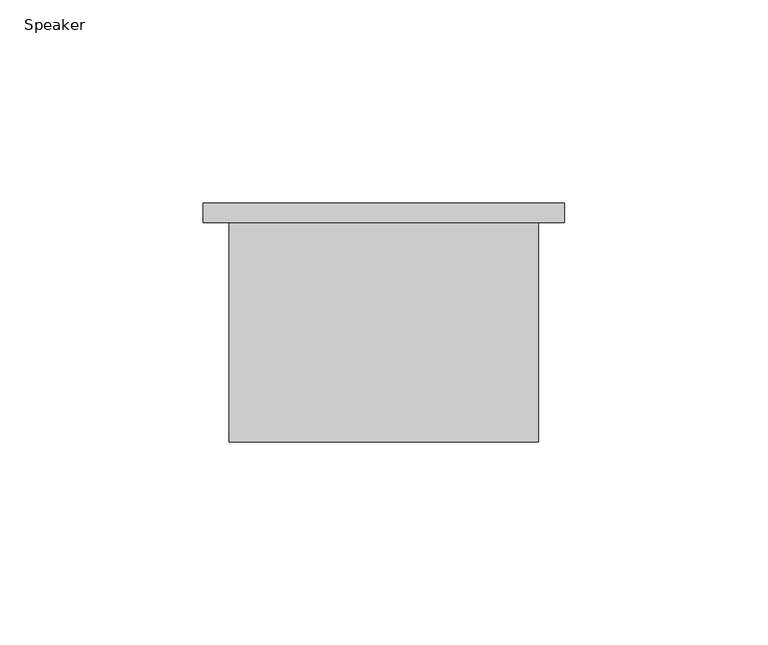
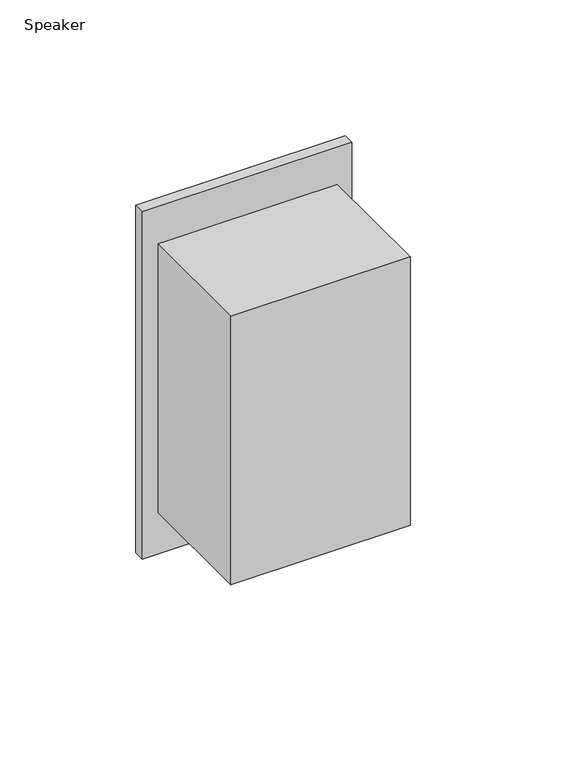
"""IFC4 building model written with IfcOpenShell, lengths in millimetres: alarm geometry, Speaker."""

from ifc_helpers import new_model, si_unit, frame, origin, place, context, project, spatial, polyline, outline, extrude, source, transform, mapped, element, save


def speaker_0ec2ac43(model_context):
    return source(origin(), model_context, "Body", "SweptSolid", [
        extrude(outline(polyline([(-44.45, 4.7625), (44.45, 4.7625), (44.45, 0.0), (-44.45, 0.0), (-44.45, 4.7625)])), frame((0.0, 0.0, 1924.05), z_axis=(0.0, 0.0, 1.0), x_axis=(1.0, 0.0, 0.0)), (0.0, 0.0, 1.0), 156.0969665),
        extrude(outline(polyline([(-38.1, 0.0), (38.1, 0.0), (38.1, -53.975), (-38.1, -53.975), (-38.1, 0.0)])), frame((0.0, 0.0, 1943.1), z_axis=(0.0, 0.0, 1.0), x_axis=(1.0, 0.0, 0.0)), (0.0, 0.0, 1.0), 120.5585549),
    ])


if __name__ == "__main__":
    model = new_model("IFC4")
    model_context = context("Model", 3, world=origin())
    ifc_project = project(units=[si_unit("LENGTHUNIT", "METRE", prefix="MILLI")], contexts=[model_context])
    site = spatial("IfcSite", under=ifc_project)
    building = spatial("IfcBuilding", under=site)
    placement = place(None, origin())
    speaker_shape = speaker_0ec2ac43(model_context)
    element("IfcAlarm", 1, ObjectType="Speaker", at=placement, inside=building, context=model_context, shape_type="MappedRepresentation", body=[
        mapped(speaker_shape, transform((0.0, 0.0, 0.0), x_axis=(1.0, 0.0, 0.0), y_axis=(0.0, 1.0, 0.0), z_axis=(0.0, 0.0, 1.0))),
    ])
    save(model, "model.ifc")
